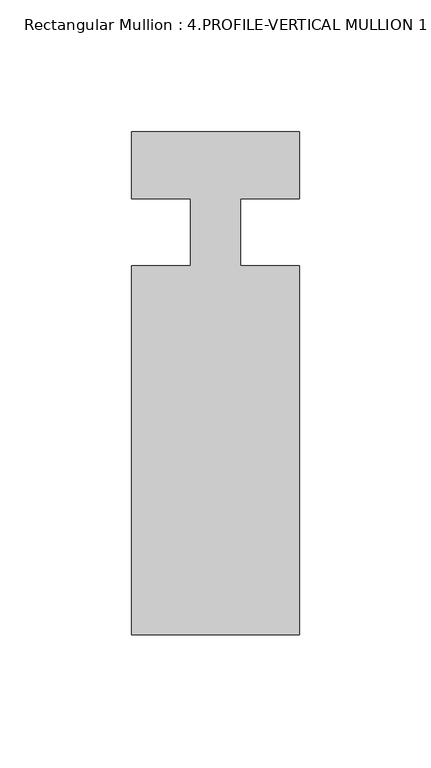
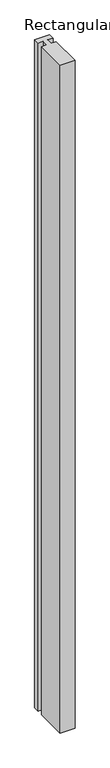
"""IFC4 building model written with IfcOpenShell, lengths in millimetres: member geometry, Rectangular Mullion : 4.PROFILE-VERTICAL MULLION 1 INCH INFILL DETAIL 6."""

from ifc_helpers import new_model, si_unit, frame, origin, place, context, project, spatial, polyline, outline, extrude, source, transform, mapped, element, save


def rectangular_mullion_4_profile_vertical_mullion_1_inch_infill_89835dda(model_context):
    return source(origin(), model_context, "Body", "SweptSolid", [
        extrude(outline(polyline([(-63.5, -63.5), (-63.5, 76.199995), (-41.2751132, 76.199995), (-41.2751132, 101.599995), (-63.5, 101.599995), (-63.5, 126.999995), (0.0, 126.999995), (0.0, 101.599995), (-22.2248868, 101.599995), (-22.2248868, 76.199995), (0.0, 76.199995), (0.0, -63.5), (-63.5, -63.5)])), frame((0.0, 0.0, -3048.0), z_axis=(0.0, 0.0, 1.0), x_axis=(1.0, 0.0, 0.0)), (0.0, 0.0, 1.0), 3048.0),
    ])


if __name__ == "__main__":
    model = new_model("IFC4")
    model_context = context("Model", 3, world=origin())
    ifc_project = project(units=[si_unit("LENGTHUNIT", "METRE", prefix="MILLI")], contexts=[model_context])
    site = spatial("IfcSite", under=ifc_project)
    building = spatial("IfcBuilding", under=site)
    placement = place(None, origin())
    rectangular_mullion_4_profile_vertical_mullion_1_inch_infill_shape = rectangular_mullion_4_profile_vertical_mullion_1_inch_infill_89835dda(model_context)
    element("IfcMember", 1, ObjectType="Rectangular Mullion : 4.PROFILE-VERTICAL MULLION 1 INCH INFILL DETAIL 6", at=placement, inside=building, context=model_context, shape_type="MappedRepresentation", body=[
        mapped(rectangular_mullion_4_profile_vertical_mullion_1_inch_infill_shape, transform((0.0, 0.0, 0.0), x_axis=(1.0, 0.0, 0.0), y_axis=(0.0, 1.0, 0.0), z_axis=(0.0, 0.0, 1.0))),
    ])
    save(model, "model.ifc")
